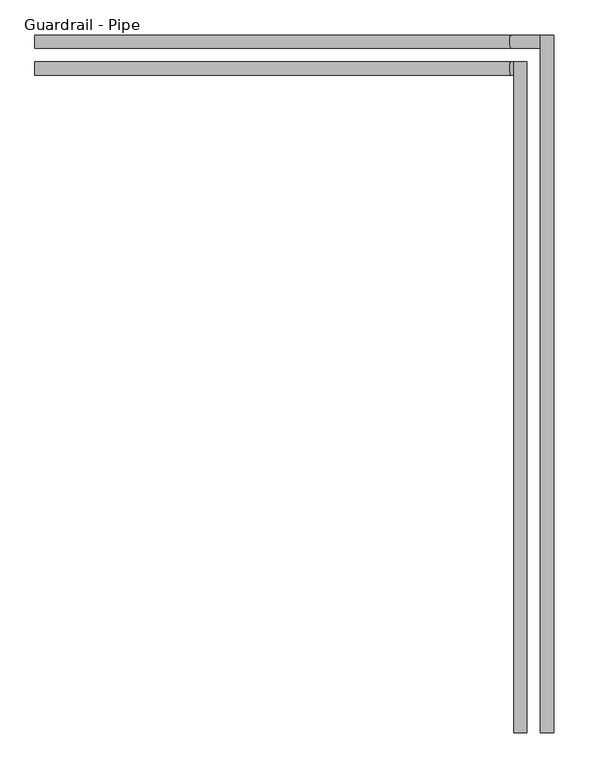
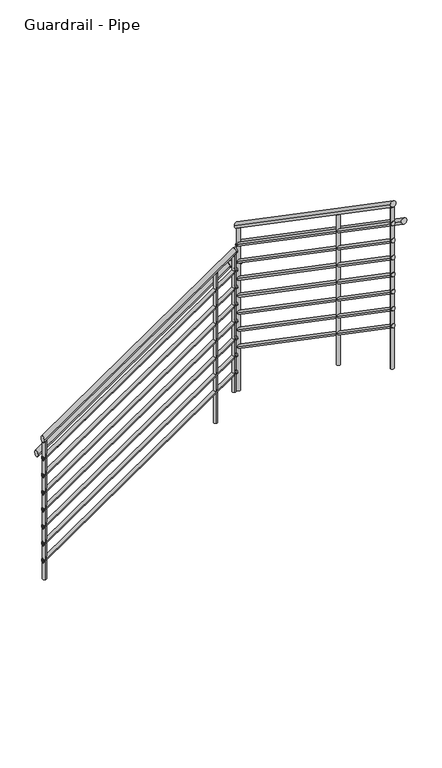
"""IFC4 building model written with IfcOpenShell, lengths in millimetres: railing geometry, Guardrail - Pipe."""

import ifcopenshell
import ifcopenshell.guid

model = None  # the IFC model being written
_history = None  # IfcOwnerHistory: only IFC2X3 demands one
_inside = {}  # id of a spatial element -> (the spatial element, [elements in it])
_under = {}  # id of a project, library or spatial element -> (it, [spatial elements below it])
_declared = {}  # id of a project -> (the project, [libraries it declares])
_typed = {}  # id of a type object -> (the type object, [elements of that type])
_made_of = {}  # id of a material, layer set ... -> (it, [elements and type objects made of it])


def new_model(schema):
    """Start an empty IFC model of exactly this schema.

    Asked for "IFC4X3", IfcOpenShell would pick the latest addendum, in which some entities
    have other attributes; the version numbers below select the first issue.
    IFC2X3 requires an IfcOwnerHistory on every rooted entity: one is made here for all.
    """
    global model, _history
    if schema == "IFC4X3":
        model = ifcopenshell.file(schema_version=(4, 3, 0, 0))
    else:
        model = ifcopenshell.file(schema=schema)
    _inside.clear()
    _under.clear()
    _declared.clear()
    _typed.clear()
    _made_of.clear()
    _history = None
    if model.schema == "IFC2X3":
        org = make("IfcOrganization", Name="unknown")
        user = make(
            "IfcPersonAndOrganization",
            ThePerson=make("IfcPerson", FamilyName="unknown"),
            TheOrganization=org,
        )
        app = make(
            "IfcApplication",
            ApplicationDeveloper=org,
            Version="unknown",
            ApplicationFullName="unknown",
            ApplicationIdentifier="unknown",
        )
        _history = make(
            "IfcOwnerHistory",
            OwningUser=user,
            OwningApplication=app,
            ChangeAction="ADDED",
            CreationDate=0,
        )
    return model


def make(cls, **values):
    """One entity of the class cls with the attributes given. An attribute that is None is left unset."""
    return model.create_entity(
        cls, **{name: value for name, value in values.items() if value is not None}
    )


def rooted(cls, **values):
    """An entity with a GlobalId (a new one), such as an element, a storey or a relation."""
    return make(cls, GlobalId=ifcopenshell.guid.new(), OwnerHistory=_history, **values)


def si_unit(unit_type, name, prefix=None):
    """IfcSIUnit, for example si_unit("LENGTHUNIT", "METRE", prefix="MILLI")."""
    return make("IfcSIUnit", UnitType=unit_type, Prefix=prefix, Name=name)


def assignment(units):
    """IfcUnitAssignment: the units of a project."""
    return None if units is None else make("IfcUnitAssignment", Units=units)


def point(xyz):
    """IfcCartesianPoint."""
    return None if xyz is None else make("IfcCartesianPoint", Coordinates=xyz)


def direction(xyz):
    """IfcDirection."""
    return None if xyz is None else make("IfcDirection", DirectionRatios=xyz)


def frame(location, z_axis=None, x_axis=None):
    """IfcAxis2Placement3D, a coordinate frame: its origin and axes. An axis left out is left unset."""
    return make(
        "IfcAxis2Placement3D",
        Location=point(location),
        Axis=direction(z_axis),
        RefDirection=direction(x_axis),
    )


def origin():
    """The frame at (0, 0, 0) with its axes left unset."""
    return frame((0.0, 0.0, 0.0))


def place(relative_to, where):
    """IfcLocalPlacement: puts the frame where relative to a parent placement (None: the world)."""
    return make(
        "IfcLocalPlacement", PlacementRelTo=relative_to, RelativePlacement=where
    )


def context(
    kind, dimensions, precision=None, world=None, true_north=None, identifier=None
):
    """IfcGeometricRepresentationContext, for example the 3D "Model" context."""
    return make(
        "IfcGeometricRepresentationContext",
        ContextIdentifier=identifier,
        ContextType=kind,
        CoordinateSpaceDimension=dimensions,
        Precision=precision,
        WorldCoordinateSystem=world,
        TrueNorth=true_north,
    )


def project(units=None, contexts=None):
    """IfcProject with its units and contexts."""
    return rooted(
        "IfcProject",
        Name="project",
        RepresentationContexts=contexts,
        UnitsInContext=assignment(units),
    )


def spatial(cls, under=None, at=None, **own):
    """A site, building, storey or space (cls), placed at a placement, below another one or the project."""
    s = rooted(cls, ObjectPlacement=at, **own)
    if under is not None:
        _under.setdefault(under.id(), (under, []))[1].append(s)
    return s


def circle_curve(where, radius):
    """IfcCircle in the frame where."""
    return make("IfcCircle", Position=where, Radius=radius)


def ellipse_curve(where, semi_axis1, semi_axis2):
    """IfcEllipse in the frame where."""
    return make(
        "IfcEllipse", Position=where, SemiAxis1=semi_axis1, SemiAxis2=semi_axis2
    )


def shape(context_of_items, identifier, shape_type, items):
    """IfcShapeRepresentation: the items that make up one representation, for example the "Body"."""
    return make(
        "IfcShapeRepresentation",
        ContextOfItems=context_of_items,
        RepresentationIdentifier=identifier,
        RepresentationType=shape_type,
        Items=items,
    )


def source(mapping_origin, context_of_items, identifier, shape_type, items):
    """IfcRepresentationMap: a shape defined once, which mapped items show again and again."""
    return make(
        "IfcRepresentationMap",
        MappingOrigin=mapping_origin,
        MappedRepresentation=shape(context_of_items, identifier, shape_type, items),
    )


def transform(
    local_origin,
    x_axis=None,
    y_axis=None,
    z_axis=None,
    scale=None,
    scale2=None,
    scale3=None,
    uniform=True,
):
    """IfcCartesianTransformationOperator3D, or its non-uniform kind. x_axis, y_axis, z_axis: its Axis1, 2, 3."""
    if uniform:
        return make(
            "IfcCartesianTransformationOperator3D",
            Axis1=direction(x_axis),
            Axis2=direction(y_axis),
            LocalOrigin=point(local_origin),
            Scale=scale,
            Axis3=direction(z_axis),
        )
    return make(
        "IfcCartesianTransformationOperator3DnonUniform",
        Axis1=direction(x_axis),
        Axis2=direction(y_axis),
        LocalOrigin=point(local_origin),
        Scale=scale,
        Axis3=direction(z_axis),
        Scale2=scale2,
        Scale3=scale3,
    )


def mapped(mapping_source, mapping_target):
    """IfcMappedItem: shows the shape of a source again, moved by a transform."""
    return make(
        "IfcMappedItem", MappingSource=mapping_source, MappingTarget=mapping_target
    )


def made_of(thing, what):
    """Note that an element or type object is made of a material, layer set ...; save() writes the relation."""
    if what is not None:
        _made_of.setdefault(what.id(), (what, []))[1].append(thing)
    return thing


def element(
    cls,
    number,
    at=None,
    inside=None,
    cuts=None,
    type_object=None,
    material=None,
    context=None,
    identifier="Body",
    shape_type=None,
    held_by="IfcProductDefinitionShape",
    body=None,
    shapes=None,
    **own,
):
    """One element of the class cls, such as IfcWall. Its Tag is "e" and its number.

    at: its placement. inside: the storey or other place that contains it. cuts: it is an
    opening in that element (IfcRelVoidsElement). A single representation is given by context,
    identifier, shape_type and body (its items); several are given by shapes. held_by: the class
    of the entity that holds the representations. save() writes the other relations.
    """
    e = rooted(cls, Tag="e%d" % number, ObjectPlacement=at, **own)
    if body is not None:
        shapes = [shape(context, identifier, shape_type, body)]
    if shapes is not None:
        e.Representation = make(held_by, Representations=shapes)
    if inside is not None:
        _inside.setdefault(inside.id(), (inside, []))[1].append(e)
    if cuts is not None:
        rooted(
            "IfcRelVoidsElement", RelatingBuildingElement=cuts, RelatedOpeningElement=e
        )
    if type_object is not None:
        _typed.setdefault(type_object.id(), (type_object, []))[1].append(e)
    return made_of(e, material)


def aggregate(whole, parts):
    """IfcRelAggregates: a whole, such as a stair, and the parts it consists of."""
    return rooted("IfcRelAggregates", RelatingObject=whole, RelatedObjects=parts)


def save(model, path):
    """Write the relations noted so far, then the file.

    IfcRelAggregates (storeys below a building ...), IfcRelContainedInSpatialStructure (elements
    in a storey), IfcRelDefinesByType, IfcRelAssociatesMaterial and IfcRelDeclares: one each for
    every whole, place, type object, material and project.
    """
    for whole, parts in _under.values():
        aggregate(whole, parts)
    for where, things in _inside.values():
        rooted(
            "IfcRelContainedInSpatialStructure",
            RelatedElements=things,
            RelatingStructure=where,
        )
    for kind, things in _typed.values():
        rooted("IfcRelDefinesByType", RelatedObjects=things, RelatingType=kind)
    for what, things in _made_of.values():
        rooted("IfcRelAssociatesMaterial", RelatedObjects=things, RelatingMaterial=what)
    for by, libraries in _declared.values():
        rooted("IfcRelDeclares", RelatingContext=by, RelatedDefinitions=libraries)
    model.write(path)


def plane_surface(at):
    """IfcPlane: the flat surface through the origin of the frame at, square to its z axis."""
    return make("IfcPlane", Position=at)


def cylinder_surface(at, radius):
    """IfcCylindricalSurface: all points at the distance radius from the z axis of the frame at."""
    return make("IfcCylindricalSurface", Position=at, Radius=radius)


def advanced_brep(points, edges, surfaces, faces):
    """IfcAdvancedBrep: a solid bounded by faces that lie on surfaces and meet in shared edges.

    An edge is (start, end): straight between two places in points (the first is 0);
    or (start, end, curve); or (start, end, curve, False) where it runs against its curve.
    A face is (place in surfaces, loops), or (place, loops, False) where it looks against
    its surface's normal. A loop lists edges by number (the first is 1), with a minus sign
    where the edge is run from its end to its start. The first loop is the outer one.
    """
    corners = [point(p) for p in points]
    vertices = [make("IfcVertexPoint", VertexGeometry=c) for c in corners]
    made = []
    for start, end, *more in edges:
        made.append(
            make(
                "IfcEdgeCurve",
                EdgeStart=vertices[start],
                EdgeEnd=vertices[end],
                EdgeGeometry=more[0] if more else make("IfcPolyline", Points=[corners[start], corners[end]]),
                SameSense=more[1] if len(more) > 1 else True,
            )
        )
    hull = []
    for where, loops, *sense in faces:
        bounds = []
        for j, loop in enumerate(loops):
            ring = [make("IfcOrientedEdge", EdgeElement=made[abs(k) - 1], Orientation=k > 0) for k in loop]
            bounds.append(
                make(
                    "IfcFaceOuterBound" if j == 0 else "IfcFaceBound",
                    Bound=make("IfcEdgeLoop", EdgeList=ring),
                    Orientation=True,
                )
            )
        hull.append(make("IfcAdvancedFace", Bounds=bounds, FaceSurface=surfaces[where], SameSense=sense[0] if sense else True))
    return make("IfcAdvancedBrep", Outer=make("IfcClosedShell", CfsFaces=hull))


def guardrail_pipe_6bcb283f(model_context):
    return source(origin(), model_context, "Body", "AdvancedBrep", [
        advanced_brep(
        [(1316.6034014, 3556.2558469, -1220.6070396), (1316.6034014, 3518.1558469, -1220.6070396), (2672.522482, 3556.2558469, -287.9642857), (2672.522482, 3518.1558469, -287.9642857), (2679.3034014, 3556.2558469, -287.9642857), (2679.3034014, 3518.1558469, -287.9642857)],
        [
            (0, 1, ellipse_curve(frame((1316.6034014, 3537.2058469, -1220.6070396), z_axis=(-1.0, 0.0, 0.0), x_axis=(0.0, 0.0, -1.0)), 23.1213253, 19.05)),
            (1, 0, ellipse_curve(frame((1316.6034014, 3537.2058469, -1220.6070396), z_axis=(-1.0, 0.0, 0.0), x_axis=(0.0, 0.0, -1.0)), 23.1213253, 19.05)),
            (0, 2),
            (2, 3, ellipse_curve(frame((2672.522482, 3537.2058469, -287.9642857), z_axis=(-0.9549645825680195, 0.0, -0.2967198106643507), x_axis=(0.29671981066435027, 0.0, -0.9549645825680195)), 19.9483838, 19.05)),
            (3, 1),
            (3, 2, ellipse_curve(frame((2672.522482, 3537.2058469, -287.9642857), z_axis=(-0.9549645825680195, 0.0, -0.2967198106643507), x_axis=(0.29671981066435027, 0.0, -0.9549645825680195)), 19.9483838, 19.05)),
            (4, 5, circle_curve(frame((2679.3034014, 3537.2058469, -287.9642857), z_axis=(1.0, 0.0, 0.0), x_axis=(0.0, -1.0, 0.0)), 19.05)),
            (5, 4, circle_curve(frame((2679.3034014, 3537.2058469, -287.9642857), z_axis=(1.0, 0.0, 0.0), x_axis=(0.0, -1.0, 0.0)), 19.05)),
            (2, 4),
            (5, 3),
        ],
        [
            plane_surface(frame((1316.6034014, 3537.2058469, -1197.4857143), z_axis=(-1.0, 0.0, 0.0), x_axis=(0.0, 1.0, 0.0))),
            cylinder_surface(frame((1327.3992996, 3537.2058469, -1213.1812895), z_axis=(-0.8239147079186238, 0.0, -0.566713820261487), x_axis=(0.0, -1.0, 0.0)), 19.05),
            plane_surface(frame((2679.3034014, 3537.2058469, -268.9142857), z_axis=(1.0, 0.0, 0.0), x_axis=(0.0, 1.0, 0.0))),
            cylinder_surface(frame((2666.6034014, 3537.2058469, -287.9642857), z_axis=(-1.0, 0.0, 0.0), x_axis=(0.0, -1.0, 0.0)), 19.05),
        ],
        [
            (0, [[1, 2]]),
            (1, [[-1, 3, 4, 5]]),
            (1, [[-2, -5, 6, -3]]),
            (2, [[7, 8]]),
            (3, [[-4, 9, -8, 10]]),
            (3, [[-6, -10, -7, -9]]),
        ],
    ),
        advanced_brep(
        [(2717.4034014, 3556.2558469, -119.4244999), (2679.3034014, 3556.2558469, -119.4244999), (2717.4034014, 1647.2058469, 1193.6786747), (2679.3034014, 1647.2058469, 1193.6786747)],
        [
            (0, 1, ellipse_curve(frame((2698.3534014, 3556.2558469, -119.4244999), z_axis=(0.0, 1.0, 0.0), x_axis=(0.0, 0.0, -1.0)), 23.1213253, 19.05)),
            (1, 0, ellipse_curve(frame((2698.3534014, 3556.2558469, -119.4244999), z_axis=(0.0, 1.0, 0.0), x_axis=(0.0, 0.0, -1.0)), 23.1213253, 19.05)),
            (2, 3, ellipse_curve(frame((2698.3534014, 1647.2058469, 1193.6786747), z_axis=(0.0, -1.0, 0.0), x_axis=(0.0, 0.0, -1.0)), 23.1213253, 19.05)),
            (3, 2, ellipse_curve(frame((2698.3534014, 1647.2058469, 1193.6786747), z_axis=(0.0, -1.0, 0.0), x_axis=(0.0, 0.0, -1.0)), 23.1213253, 19.05)),
            (0, 2),
            (3, 1),
        ],
        [
            plane_surface(frame((2698.3534014, 3556.2558469, -96.3031746), z_axis=(0.0, 1.0, 0.0), x_axis=(0.0, 0.0, -1.0))),
            plane_surface(frame((2698.3534014, 1647.2058469, 1216.8), z_axis=(0.0, -1.0, 0.0), x_axis=(0.0, 0.0, -1.0))),
            cylinder_surface(frame((2698.3534014, 3545.4599486, -111.9987498), z_axis=(0.0, 0.8239147079186236, -0.5667138202614872), x_axis=(-1.0, 0.0, 0.0)), 19.05),
        ],
        [
            (0, [[1, 2]]),
            (1, [[3, 4]]),
            (2, [[-1, 5, -4, 6]]),
            (2, [[-2, -6, -3, -5]]),
        ],
    ),
        advanced_brep(
        [(1316.6034014, 3549.9058469, -1365.2999312), (1316.6034014, 3524.5058469, -1365.2999312), (2670.5494551, 3549.9058469, -434.0142857), (2670.5494551, 3524.5058469, -434.0142857), (2685.6534014, 3549.9058469, -434.0142857), (2685.6534014, 3524.5058469, -434.0142857)],
        [
            (0, 1, ellipse_curve(frame((1316.6034014, 3537.2058469, -1365.2999312), z_axis=(-1.0, 0.0, 0.0), x_axis=(0.0, 0.0, -1.0)), 15.4142169, 12.7)),
            (1, 0, ellipse_curve(frame((1316.6034014, 3537.2058469, -1365.2999312), z_axis=(-1.0, 0.0, 0.0), x_axis=(0.0, 0.0, -1.0)), 15.4142169, 12.7)),
            (0, 2),
            (2, 3, ellipse_curve(frame((2670.5494551, 3537.2058469, -434.0142857), z_axis=(-0.9549645825680195, 0.0, -0.2967198106643507), x_axis=(0.29671981066435027, 0.0, -0.9549645825680195)), 13.2989225, 12.7)),
            (3, 1),
            (3, 2, ellipse_curve(frame((2670.5494551, 3537.2058469, -434.0142857), z_axis=(-0.9549645825680195, 0.0, -0.2967198106643507), x_axis=(0.29671981066435027, 0.0, -0.9549645825680195)), 13.2989225, 12.7)),
            (4, 5, circle_curve(frame((2685.6534014, 3537.2058469, -434.0142857), z_axis=(1.0, 0.0, 0.0), x_axis=(0.0, -1.0, 0.0)), 12.7)),
            (5, 4, circle_curve(frame((2685.6534014, 3537.2058469, -434.0142857), z_axis=(1.0, 0.0, 0.0), x_axis=(0.0, -1.0, 0.0)), 12.7)),
            (2, 4),
            (5, 3),
        ],
        [
            plane_surface(frame((1316.6034014, 3537.2058469, -1349.8857143), z_axis=(-1.0, 0.0, 0.0), x_axis=(0.0, 1.0, 0.0))),
            cylinder_surface(frame((1323.8006669, 3537.2058469, -1360.3494311), z_axis=(-0.8239147079186238, 0.0, -0.566713820261487), x_axis=(0.0, -1.0, 0.0)), 12.7),
            plane_surface(frame((2685.6534014, 3537.2058469, -421.3142857), z_axis=(1.0, 0.0, 0.0), x_axis=(0.0, 1.0, 0.0))),
            cylinder_surface(frame((2666.6034014, 3537.2058469, -434.0142857), z_axis=(-1.0, 0.0, 0.0), x_axis=(0.0, -1.0, 0.0)), 12.7),
        ],
        [
            (0, [[1, 2]]),
            (1, [[-1, 3, 4, 5]]),
            (1, [[-2, -5, 6, -3]]),
            (2, [[7, 8]]),
            (3, [[-4, 9, -8, 10]]),
            (3, [[-6, -10, -7, -9]]),
        ],
    ),
        advanced_brep(
        [(2711.0534014, 3549.9058469, -259.7496666), (2685.6534014, 3549.9058469, -259.7496666), (2711.0534014, 1647.2058469, 1048.9857831), (2685.6534014, 1647.2058469, 1048.9857831)],
        [
            (0, 1, ellipse_curve(frame((2698.3534014, 3549.9058469, -259.7496666), z_axis=(0.0, 1.0, 0.0), x_axis=(0.0, 0.0, -1.0)), 15.4142169, 12.7)),
            (1, 0, ellipse_curve(frame((2698.3534014, 3549.9058469, -259.7496666), z_axis=(0.0, 1.0, 0.0), x_axis=(0.0, 0.0, -1.0)), 15.4142169, 12.7)),
            (2, 3, ellipse_curve(frame((2698.3534014, 1647.2058469, 1048.9857831), z_axis=(0.0, -1.0, 0.0), x_axis=(0.0, 0.0, -1.0)), 15.4142169, 12.7)),
            (3, 2, ellipse_curve(frame((2698.3534014, 1647.2058469, 1048.9857831), z_axis=(0.0, -1.0, 0.0), x_axis=(0.0, 0.0, -1.0)), 15.4142169, 12.7)),
            (0, 2),
            (3, 1),
        ],
        [
            plane_surface(frame((2698.3534014, 3549.9058469, -244.3354497), z_axis=(0.0, 1.0, 0.0), x_axis=(0.0, 0.0, -1.0))),
            plane_surface(frame((2698.3534014, 1647.2058469, 1064.4), z_axis=(0.0, -1.0, 0.0), x_axis=(0.0, 0.0, -1.0))),
            cylinder_surface(frame((2698.3534014, 3542.7085814, -254.7991665), z_axis=(0.0, 0.8239147079186236, -0.5667138202614872), x_axis=(-1.0, 0.0, 0.0)), 12.7),
        ],
        [
            (0, [[1, 2]]),
            (1, [[3, 4]]),
            (2, [[-1, 5, -4, 6]]),
            (2, [[-2, -6, -3, -5]]),
        ],
    ),
        advanced_brep(
        [(1316.6034014, 3632.4558469, -1373.0070396), (1316.6034014, 3594.3558469, -1373.0070396), (2672.522482, 3632.4558469, -440.3642857), (2672.522482, 3594.3558469, -440.3642857), (2755.5034014, 3632.4558469, -440.3642857), (2755.5034014, 3594.3558469, -440.3642857)],
        [
            (0, 1, ellipse_curve(frame((1316.6034014, 3613.4058469, -1373.0070396), z_axis=(-1.0, 0.0, 0.0), x_axis=(0.0, 0.0, -1.0)), 23.1213253, 19.05)),
            (1, 0, ellipse_curve(frame((1316.6034014, 3613.4058469, -1373.0070396), z_axis=(-1.0, 0.0, 0.0), x_axis=(0.0, 0.0, -1.0)), 23.1213253, 19.05)),
            (0, 2),
            (2, 3, ellipse_curve(frame((2672.522482, 3613.4058469, -440.3642857), z_axis=(-0.9549645825680195, 0.0, -0.2967198106643507), x_axis=(0.29671981066435027, 0.0, -0.9549645825680195)), 19.9483838, 19.05)),
            (3, 1),
            (3, 2, ellipse_curve(frame((2672.522482, 3613.4058469, -440.3642857), z_axis=(-0.9549645825680195, 0.0, -0.2967198106643507), x_axis=(0.29671981066435027, 0.0, -0.9549645825680195)), 19.9483838, 19.05)),
            (4, 5, circle_curve(frame((2755.5034014, 3613.4058469, -440.3642857), z_axis=(1.0, 0.0, 0.0), x_axis=(0.0, -1.0, 0.0)), 19.05)),
            (5, 4, circle_curve(frame((2755.5034014, 3613.4058469, -440.3642857), z_axis=(1.0, 0.0, 0.0), x_axis=(0.0, -1.0, 0.0)), 19.05)),
            (2, 4),
            (5, 3),
        ],
        [
            plane_surface(frame((1316.6034014, 3613.4058469, -1349.8857143), z_axis=(-1.0, 0.0, 0.0), x_axis=(0.0, 1.0, 0.0))),
            cylinder_surface(frame((1327.3992996, 3613.4058469, -1365.5812895), z_axis=(-0.8239147079186238, 0.0, -0.566713820261487), x_axis=(0.0, -1.0, 0.0)), 19.05),
            plane_surface(frame((2755.5034014, 3613.4058469, -421.3142857), z_axis=(1.0, 0.0, 0.0), x_axis=(0.0, 1.0, 0.0))),
            cylinder_surface(frame((2666.6034014, 3613.4058469, -440.3642857), z_axis=(-1.0, 0.0, 0.0), x_axis=(0.0, -1.0, 0.0)), 19.05),
        ],
        [
            (0, [[1, 2]]),
            (1, [[-1, 3, 4, 5]]),
            (1, [[-2, -5, 6, -3]]),
            (2, [[7, 8]]),
            (3, [[-4, 9, -8, 10]]),
            (3, [[-6, -10, -7, -9]]),
        ],
    ),
        advanced_brep(
        [(2793.6034014, 3632.4558469, -324.2371983), (2755.5034014, 3632.4558469, -324.2371983), (2793.6034014, 1647.2058469, 1041.2786747), (2755.5034014, 1647.2058469, 1041.2786747)],
        [
            (0, 1, ellipse_curve(frame((2774.5534014, 3632.4558469, -324.2371983), z_axis=(0.0, 1.0, 0.0), x_axis=(0.0, 0.0, -1.0)), 23.1213253, 19.05)),
            (1, 0, ellipse_curve(frame((2774.5534014, 3632.4558469, -324.2371983), z_axis=(0.0, 1.0, 0.0), x_axis=(0.0, 0.0, -1.0)), 23.1213253, 19.05)),
            (2, 3, ellipse_curve(frame((2774.5534014, 1647.2058469, 1041.2786747), z_axis=(0.0, -1.0, 0.0), x_axis=(0.0, 0.0, -1.0)), 23.1213253, 19.05)),
            (3, 2, ellipse_curve(frame((2774.5534014, 1647.2058469, 1041.2786747), z_axis=(0.0, -1.0, 0.0), x_axis=(0.0, 0.0, -1.0)), 23.1213253, 19.05)),
            (0, 2),
            (3, 1),
        ],
        [
            plane_surface(frame((2774.5534014, 3632.4558469, -301.115873), z_axis=(0.0, 1.0, 0.0), x_axis=(0.0, 0.0, -1.0))),
            plane_surface(frame((2774.5534014, 1647.2058469, 1064.4), z_axis=(0.0, -1.0, 0.0), x_axis=(0.0, 0.0, -1.0))),
            cylinder_surface(frame((2774.5534014, 3621.6599486, -316.8114482), z_axis=(0.0, 0.8239147079186235, -0.5667138202614872), x_axis=(-1.0, 0.0, 0.0)), 19.05),
        ],
        [
            (0, [[1, 2]]),
            (1, [[3, 4]]),
            (2, [[-1, 5, -4, 6]]),
            (2, [[-2, -6, -3, -5]]),
        ],
    ),
        advanced_brep(
        [(1316.6034014, 3549.9058469, -1492.2999312), (1316.6034014, 3524.5058469, -1492.2999312), (2670.5494551, 3549.9058469, -561.0142857), (2670.5494551, 3524.5058469, -561.0142857), (2685.6534014, 3549.9058469, -561.0142857), (2685.6534014, 3524.5058469, -561.0142857)],
        [
            (0, 1, ellipse_curve(frame((1316.6034014, 3537.2058469, -1492.2999312), z_axis=(-1.0, 0.0, 0.0), x_axis=(0.0, 0.0, -1.0)), 15.4142169, 12.7)),
            (1, 0, ellipse_curve(frame((1316.6034014, 3537.2058469, -1492.2999312), z_axis=(-1.0, 0.0, 0.0), x_axis=(0.0, 0.0, -1.0)), 15.4142169, 12.7)),
            (0, 2),
            (2, 3, ellipse_curve(frame((2670.5494551, 3537.2058469, -561.0142857), z_axis=(-0.9549645825680195, 0.0, -0.2967198106643507), x_axis=(0.29671981066435027, 0.0, -0.9549645825680195)), 13.2989225, 12.7)),
            (3, 1),
            (3, 2, ellipse_curve(frame((2670.5494551, 3537.2058469, -561.0142857), z_axis=(-0.9549645825680195, 0.0, -0.2967198106643507), x_axis=(0.29671981066435027, 0.0, -0.9549645825680195)), 13.2989225, 12.7)),
            (4, 5, circle_curve(frame((2685.6534014, 3537.2058469, -561.0142857), z_axis=(1.0, 0.0, 0.0), x_axis=(0.0, -1.0, 0.0)), 12.7)),
            (5, 4, circle_curve(frame((2685.6534014, 3537.2058469, -561.0142857), z_axis=(1.0, 0.0, 0.0), x_axis=(0.0, -1.0, 0.0)), 12.7)),
            (2, 4),
            (5, 3),
        ],
        [
            plane_surface(frame((1316.6034014, 3537.2058469, -1476.8857143), z_axis=(-1.0, 0.0, 0.0), x_axis=(0.0, 1.0, 0.0))),
            cylinder_surface(frame((1323.8006669, 3537.2058469, -1487.3494311), z_axis=(-0.8239147079186238, 0.0, -0.566713820261487), x_axis=(0.0, -1.0, 0.0)), 12.7),
            plane_surface(frame((2685.6534014, 3537.2058469, -548.3142857), z_axis=(1.0, 0.0, 0.0), x_axis=(0.0, 1.0, 0.0))),
            cylinder_surface(frame((2666.6034014, 3537.2058469, -561.0142857), z_axis=(-1.0, 0.0, 0.0), x_axis=(0.0, -1.0, 0.0)), 12.7),
        ],
        [
            (0, [[1, 2]]),
            (1, [[-1, 3, 4, 5]]),
            (1, [[-2, -5, 6, -3]]),
            (2, [[7, 8]]),
            (3, [[-4, 9, -8, 10]]),
            (3, [[-6, -10, -7, -9]]),
        ],
    ),
        advanced_brep(
        [(2711.0534014, 3549.9058469, -386.7496666), (2685.6534014, 3549.9058469, -386.7496666), (2711.0534014, 1647.2058469, 921.9857831), (2685.6534014, 1647.2058469, 921.9857831)],
        [
            (0, 1, ellipse_curve(frame((2698.3534014, 3549.9058469, -386.7496666), z_axis=(0.0, 1.0, 0.0), x_axis=(0.0, 0.0, -1.0)), 15.4142169, 12.7)),
            (1, 0, ellipse_curve(frame((2698.3534014, 3549.9058469, -386.7496666), z_axis=(0.0, 1.0, 0.0), x_axis=(0.0, 0.0, -1.0)), 15.4142169, 12.7)),
            (2, 3, ellipse_curve(frame((2698.3534014, 1647.2058469, 921.9857831), z_axis=(0.0, -1.0, 0.0), x_axis=(0.0, 0.0, -1.0)), 15.4142169, 12.7)),
            (3, 2, ellipse_curve(frame((2698.3534014, 1647.2058469, 921.9857831), z_axis=(0.0, -1.0, 0.0), x_axis=(0.0, 0.0, -1.0)), 15.4142169, 12.7)),
            (0, 2),
            (3, 1),
        ],
        [
            plane_surface(frame((2698.3534014, 3549.9058469, -371.3354497), z_axis=(0.0, 1.0, 0.0), x_axis=(0.0, 0.0, -1.0))),
            plane_surface(frame((2698.3534014, 1647.2058469, 937.4), z_axis=(0.0, -1.0, 0.0), x_axis=(0.0, 0.0, -1.0))),
            cylinder_surface(frame((2698.3534014, 3542.7085814, -381.7991665), z_axis=(0.0, 0.8239147079186236, -0.5667138202614872), x_axis=(-1.0, 0.0, 0.0)), 12.7),
        ],
        [
            (0, [[1, 2]]),
            (1, [[3, 4]]),
            (2, [[-1, 5, -4, 6]]),
            (2, [[-2, -6, -3, -5]]),
        ],
    ),
        advanced_brep(
        [(1316.6034014, 3549.9058469, -1619.2999312), (1316.6034014, 3524.5058469, -1619.2999312), (2670.5494551, 3549.9058469, -688.0142857), (2670.5494551, 3524.5058469, -688.0142857), (2685.6534014, 3549.9058469, -688.0142857), (2685.6534014, 3524.5058469, -688.0142857)],
        [
            (0, 1, ellipse_curve(frame((1316.6034014, 3537.2058469, -1619.2999312), z_axis=(-1.0, 0.0, 0.0), x_axis=(0.0, 0.0, -1.0)), 15.4142169, 12.7)),
            (1, 0, ellipse_curve(frame((1316.6034014, 3537.2058469, -1619.2999312), z_axis=(-1.0, 0.0, 0.0), x_axis=(0.0, 0.0, -1.0)), 15.4142169, 12.7)),
            (0, 2),
            (2, 3, ellipse_curve(frame((2670.5494551, 3537.2058469, -688.0142857), z_axis=(-0.9549645825680195, 0.0, -0.29671981066435077), x_axis=(0.29671981066435027, 0.0, -0.9549645825680197)), 13.2989225, 12.7)),
            (3, 1),
            (3, 2, ellipse_curve(frame((2670.5494551, 3537.2058469, -688.0142857), z_axis=(-0.9549645825680195, 0.0, -0.29671981066435077), x_axis=(0.29671981066435027, 0.0, -0.9549645825680197)), 13.2989225, 12.7)),
            (4, 5, circle_curve(frame((2685.6534014, 3537.2058469, -688.0142857), z_axis=(1.0, 0.0, 0.0), x_axis=(0.0, -1.0, 0.0)), 12.7)),
            (5, 4, circle_curve(frame((2685.6534014, 3537.2058469, -688.0142857), z_axis=(1.0, 0.0, 0.0), x_axis=(0.0, -1.0, 0.0)), 12.7)),
            (2, 4),
            (5, 3),
        ],
        [
            plane_surface(frame((1316.6034014, 3537.2058469, -1603.8857143), z_axis=(-1.0, 0.0, 0.0), x_axis=(0.0, 1.0, 0.0))),
            cylinder_surface(frame((1323.8006669, 3537.2058469, -1614.3494311), z_axis=(-0.8239147079186238, 0.0, -0.5667138202614871), x_axis=(0.0, -1.0, 0.0)), 12.7),
            plane_surface(frame((2685.6534014, 3537.2058469, -675.3142857), z_axis=(1.0, 0.0, 0.0), x_axis=(0.0, 1.0, 0.0))),
            cylinder_surface(frame((2666.6034014, 3537.2058469, -688.0142857), z_axis=(-1.0, 0.0, 0.0), x_axis=(0.0, -1.0, 0.0)), 12.7),
        ],
        [
            (0, [[1, 2]]),
            (1, [[-1, 3, 4, 5]]),
            (1, [[-2, -5, 6, -3]]),
            (2, [[7, 8]]),
            (3, [[-4, 9, -8, 10]]),
            (3, [[-6, -10, -7, -9]]),
        ],
    ),
        advanced_brep(
        [(2711.0534014, 3549.9058469, -513.7496666), (2685.6534014, 3549.9058469, -513.7496666), (2711.0534014, 1647.2058469, 794.9857831), (2685.6534014, 1647.2058469, 794.9857831)],
        [
            (0, 1, ellipse_curve(frame((2698.3534014, 3549.9058469, -513.7496666), z_axis=(0.0, 1.0, 0.0), x_axis=(0.0, 0.0, -1.0)), 15.4142169, 12.7)),
            (1, 0, ellipse_curve(frame((2698.3534014, 3549.9058469, -513.7496666), z_axis=(0.0, 1.0, 0.0), x_axis=(0.0, 0.0, -1.0)), 15.4142169, 12.7)),
            (2, 3, ellipse_curve(frame((2698.3534014, 1647.2058469, 794.9857831), z_axis=(0.0, -1.0, 0.0), x_axis=(0.0, 0.0, -1.0)), 15.4142169, 12.7)),
            (3, 2, ellipse_curve(frame((2698.3534014, 1647.2058469, 794.9857831), z_axis=(0.0, -1.0, 0.0), x_axis=(0.0, 0.0, -1.0)), 15.4142169, 12.7)),
            (0, 2),
            (3, 1),
        ],
        [
            plane_surface(frame((2698.3534014, 3549.9058469, -498.3354497), z_axis=(0.0, 1.0, 0.0), x_axis=(0.0, 0.0, -1.0))),
            plane_surface(frame((2698.3534014, 1647.2058469, 810.4), z_axis=(0.0, -1.0, 0.0), x_axis=(0.0, 0.0, -1.0))),
            cylinder_surface(frame((2698.3534014, 3542.7085814, -508.7991665), z_axis=(0.0, 0.8239147079186236, -0.5667138202614872), x_axis=(-1.0, 0.0, 0.0)), 12.7),
        ],
        [
            (0, [[1, 2]]),
            (1, [[3, 4]]),
            (2, [[-1, 5, -4, 6]]),
            (2, [[-2, -6, -3, -5]]),
        ],
    ),
        advanced_brep(
        [(1316.6034014, 3549.9058469, -1746.2999312), (1316.6034014, 3524.5058469, -1746.2999312), (2670.5494551, 3549.9058469, -815.0142857), (2670.5494551, 3524.5058469, -815.0142857), (2685.6534014, 3549.9058469, -815.0142857), (2685.6534014, 3524.5058469, -815.0142857)],
        [
            (0, 1, ellipse_curve(frame((1316.6034014, 3537.2058469, -1746.2999312), z_axis=(-1.0, 0.0, 0.0), x_axis=(0.0, 0.0, -1.0)), 15.4142169, 12.7)),
            (1, 0, ellipse_curve(frame((1316.6034014, 3537.2058469, -1746.2999312), z_axis=(-1.0, 0.0, 0.0), x_axis=(0.0, 0.0, -1.0)), 15.4142169, 12.7)),
            (0, 2),
            (2, 3, ellipse_curve(frame((2670.5494551, 3537.2058469, -815.0142857), z_axis=(-0.9549645825680195, 0.0, -0.2967198106643507), x_axis=(0.29671981066435027, 0.0, -0.9549645825680195)), 13.2989225, 12.7)),
            (3, 1),
            (3, 2, ellipse_curve(frame((2670.5494551, 3537.2058469, -815.0142857), z_axis=(-0.9549645825680195, 0.0, -0.2967198106643507), x_axis=(0.29671981066435027, 0.0, -0.9549645825680195)), 13.2989225, 12.7)),
            (4, 5, circle_curve(frame((2685.6534014, 3537.2058469, -815.0142857), z_axis=(1.0, 0.0, 0.0), x_axis=(0.0, -1.0, 0.0)), 12.7)),
            (5, 4, circle_curve(frame((2685.6534014, 3537.2058469, -815.0142857), z_axis=(1.0, 0.0, 0.0), x_axis=(0.0, -1.0, 0.0)), 12.7)),
            (2, 4),
            (5, 3),
        ],
        [
            plane_surface(frame((1316.6034014, 3537.2058469, -1730.8857143), z_axis=(-1.0, 0.0, 0.0), x_axis=(0.0, 1.0, 0.0))),
            cylinder_surface(frame((1323.8006669, 3537.2058469, -1741.3494311), z_axis=(-0.8239147079186238, 0.0, -0.566713820261487), x_axis=(0.0, -1.0, 0.0)), 12.7),
            plane_surface(frame((2685.6534014, 3537.2058469, -802.3142857), z_axis=(1.0, 0.0, 0.0), x_axis=(0.0, 1.0, 0.0))),
            cylinder_surface(frame((2666.6034014, 3537.2058469, -815.0142857), z_axis=(-1.0, 0.0, 0.0), x_axis=(0.0, -1.0, 0.0)), 12.7),
        ],
        [
            (0, [[1, 2]]),
            (1, [[-1, 3, 4, 5]]),
            (1, [[-2, -5, 6, -3]]),
            (2, [[7, 8]]),
            (3, [[-4, 9, -8, 10]]),
            (3, [[-6, -10, -7, -9]]),
        ],
    ),
        advanced_brep(
        [(2711.0534014, 3549.9058469, -640.7496666), (2685.6534014, 3549.9058469, -640.7496666), (2711.0534014, 1647.2058469, 667.9857831), (2685.6534014, 1647.2058469, 667.9857831)],
        [
            (0, 1, ellipse_curve(frame((2698.3534014, 3549.9058469, -640.7496666), z_axis=(0.0, 1.0, 0.0), x_axis=(0.0, 0.0, -1.0)), 15.4142169, 12.7)),
            (1, 0, ellipse_curve(frame((2698.3534014, 3549.9058469, -640.7496666), z_axis=(0.0, 1.0, 0.0), x_axis=(0.0, 0.0, -1.0)), 15.4142169, 12.7)),
            (2, 3, ellipse_curve(frame((2698.3534014, 1647.2058469, 667.9857831), z_axis=(0.0, -1.0, 0.0), x_axis=(0.0, 0.0, -1.0)), 15.4142169, 12.7)),
            (3, 2, ellipse_curve(frame((2698.3534014, 1647.2058469, 667.9857831), z_axis=(0.0, -1.0, 0.0), x_axis=(0.0, 0.0, -1.0)), 15.4142169, 12.7)),
            (0, 2),
            (3, 1),
        ],
        [
            plane_surface(frame((2698.3534014, 3549.9058469, -625.3354497), z_axis=(0.0, 1.0, 0.0), x_axis=(0.0, 0.0, -1.0))),
            plane_surface(frame((2698.3534014, 1647.2058469, 683.4), z_axis=(0.0, -1.0, 0.0), x_axis=(0.0, 0.0, -1.0))),
            cylinder_surface(frame((2698.3534014, 3542.7085814, -635.7991665), z_axis=(0.0, 0.8239147079186236, -0.5667138202614872), x_axis=(-1.0, 0.0, 0.0)), 12.7),
        ],
        [
            (0, [[1, 2]]),
            (1, [[3, 4]]),
            (2, [[-1, 5, -4, 6]]),
            (2, [[-2, -6, -3, -5]]),
        ],
    ),
        advanced_brep(
        [(1316.6034014, 3549.9058469, -1873.2999312), (1316.6034014, 3524.5058469, -1873.2999312), (2670.5494551, 3549.9058469, -942.0142857), (2670.5494551, 3524.5058469, -942.0142857), (2685.6534014, 3549.9058469, -942.0142857), (2685.6534014, 3524.5058469, -942.0142857)],
        [
            (0, 1, ellipse_curve(frame((1316.6034014, 3537.2058469, -1873.2999312), z_axis=(-1.0, 0.0, 0.0), x_axis=(0.0, 0.0, -1.0)), 15.4142169, 12.7)),
            (1, 0, ellipse_curve(frame((1316.6034014, 3537.2058469, -1873.2999312), z_axis=(-1.0, 0.0, 0.0), x_axis=(0.0, 0.0, -1.0)), 15.4142169, 12.7)),
            (0, 2),
            (2, 3, ellipse_curve(frame((2670.5494551, 3537.2058469, -942.0142857), z_axis=(-0.9549645825680195, 0.0, -0.2967198106643507), x_axis=(0.29671981066435027, 0.0, -0.9549645825680195)), 13.2989225, 12.7)),
            (3, 1),
            (3, 2, ellipse_curve(frame((2670.5494551, 3537.2058469, -942.0142857), z_axis=(-0.9549645825680195, 0.0, -0.2967198106643507), x_axis=(0.29671981066435027, 0.0, -0.9549645825680195)), 13.2989225, 12.7)),
            (4, 5, circle_curve(frame((2685.6534014, 3537.2058469, -942.0142857), z_axis=(1.0, 0.0, 0.0), x_axis=(0.0, -1.0, 0.0)), 12.7)),
            (5, 4, circle_curve(frame((2685.6534014, 3537.2058469, -942.0142857), z_axis=(1.0, 0.0, 0.0), x_axis=(0.0, -1.0, 0.0)), 12.7)),
            (2, 4),
            (5, 3),
        ],
        [
            plane_surface(frame((1316.6034014, 3537.2058469, -1857.8857143), z_axis=(-1.0, 0.0, 0.0), x_axis=(0.0, 1.0, 0.0))),
            cylinder_surface(frame((1323.8006669, 3537.2058469, -1868.3494311), z_axis=(-0.8239147079186238, 0.0, -0.566713820261487), x_axis=(0.0, -1.0, 0.0)), 12.7),
            plane_surface(frame((2685.6534014, 3537.2058469, -929.3142857), z_axis=(1.0, 0.0, 0.0), x_axis=(0.0, 1.0, 0.0))),
            cylinder_surface(frame((2666.6034014, 3537.2058469, -942.0142857), z_axis=(-1.0, 0.0, 0.0), x_axis=(0.0, -1.0, 0.0)), 12.7),
        ],
        [
            (0, [[1, 2]]),
            (1, [[-1, 3, 4, 5]]),
            (1, [[-2, -5, 6, -3]]),
            (2, [[7, 8]]),
            (3, [[-4, 9, -8, 10]]),
            (3, [[-6, -10, -7, -9]]),
        ],
    ),
        advanced_brep(
        [(2711.0534014, 3549.9058469, -767.7496666), (2685.6534014, 3549.9058469, -767.7496666), (2711.0534014, 1647.2058469, 540.9857831), (2685.6534014, 1647.2058469, 540.9857831)],
        [
            (0, 1, ellipse_curve(frame((2698.3534014, 3549.9058469, -767.7496666), z_axis=(0.0, 1.0, 0.0), x_axis=(0.0, 0.0, -1.0)), 15.4142169, 12.7)),
            (1, 0, ellipse_curve(frame((2698.3534014, 3549.9058469, -767.7496666), z_axis=(0.0, 1.0, 0.0), x_axis=(0.0, 0.0, -1.0)), 15.4142169, 12.7)),
            (2, 3, ellipse_curve(frame((2698.3534014, 1647.2058469, 540.9857831), z_axis=(0.0, -1.0, 0.0), x_axis=(0.0, 0.0, -1.0)), 15.4142169, 12.7)),
            (3, 2, ellipse_curve(frame((2698.3534014, 1647.2058469, 540.9857831), z_axis=(0.0, -1.0, 0.0), x_axis=(0.0, 0.0, -1.0)), 15.4142169, 12.7)),
            (0, 2),
            (3, 1),
        ],
        [
            plane_surface(frame((2698.3534014, 3549.9058469, -752.3354497), z_axis=(0.0, 1.0, 0.0), x_axis=(0.0, 0.0, -1.0))),
            plane_surface(frame((2698.3534014, 1647.2058469, 556.4), z_axis=(0.0, -1.0, 0.0), x_axis=(0.0, 0.0, -1.0))),
            cylinder_surface(frame((2698.3534014, 3542.7085814, -762.7991665), z_axis=(0.0, 0.8239147079186236, -0.5667138202614872), x_axis=(-1.0, 0.0, 0.0)), 12.7),
        ],
        [
            (0, [[1, 2]]),
            (1, [[3, 4]]),
            (2, [[-1, 5, -4, 6]]),
            (2, [[-2, -6, -3, -5]]),
        ],
    ),
        advanced_brep(
        [(1316.6034014, 3549.9058469, -2000.2999312), (1316.6034014, 3524.5058469, -2000.2999312), (2670.5494551, 3549.9058469, -1069.0142857), (2670.5494551, 3524.5058469, -1069.0142857), (2685.6534014, 3549.9058469, -1069.0142857), (2685.6534014, 3524.5058469, -1069.0142857)],
        [
            (0, 1, ellipse_curve(frame((1316.6034014, 3537.2058469, -2000.2999312), z_axis=(-1.0, 0.0, 0.0), x_axis=(0.0, 0.0, -1.0)), 15.4142169, 12.7)),
            (1, 0, ellipse_curve(frame((1316.6034014, 3537.2058469, -2000.2999312), z_axis=(-1.0, 0.0, 0.0), x_axis=(0.0, 0.0, -1.0)), 15.4142169, 12.7)),
            (0, 2),
            (2, 3, ellipse_curve(frame((2670.5494551, 3537.2058469, -1069.0142857), z_axis=(-0.9549645825680195, 0.0, -0.29671981066435066), x_axis=(0.29671981066435, 0.0, -0.9549645825680199)), 13.2989225, 12.7)),
            (3, 1),
            (3, 2, ellipse_curve(frame((2670.5494551, 3537.2058469, -1069.0142857), z_axis=(-0.9549645825680195, 0.0, -0.29671981066435066), x_axis=(0.29671981066435, 0.0, -0.9549645825680199)), 13.2989225, 12.7)),
            (4, 5, circle_curve(frame((2685.6534014, 3537.2058469, -1069.0142857), z_axis=(1.0, 0.0, 0.0), x_axis=(0.0, -1.0, 0.0)), 12.7)),
            (5, 4, circle_curve(frame((2685.6534014, 3537.2058469, -1069.0142857), z_axis=(1.0, 0.0, 0.0), x_axis=(0.0, -1.0, 0.0)), 12.7)),
            (2, 4),
            (5, 3),
        ],
        [
            plane_surface(frame((1316.6034014, 3537.2058469, -1984.8857143), z_axis=(-1.0, 0.0, 0.0), x_axis=(0.0, 1.0, 0.0))),
            cylinder_surface(frame((1323.8006669, 3537.2058469, -1995.3494311), z_axis=(-0.8239147079186238, 0.0, -0.5667138202614869), x_axis=(0.0, -1.0, 0.0)), 12.7),
            plane_surface(frame((2685.6534014, 3537.2058469, -1056.3142857), z_axis=(1.0, 0.0, 0.0), x_axis=(0.0, 1.0, 0.0))),
            cylinder_surface(frame((2666.6034014, 3537.2058469, -1069.0142857), z_axis=(-1.0, 0.0, 0.0), x_axis=(0.0, -1.0, 0.0)), 12.7),
        ],
        [
            (0, [[1, 2]]),
            (1, [[-1, 3, 4, 5]]),
            (1, [[-2, -5, 6, -3]]),
            (2, [[7, 8]]),
            (3, [[-4, 9, -8, 10]]),
            (3, [[-6, -10, -7, -9]]),
        ],
    ),
        advanced_brep(
        [(2711.0534014, 3549.9058469, -894.7496666), (2685.6534014, 3549.9058469, -894.7496666), (2711.0534014, 1647.2058469, 413.9857831), (2685.6534014, 1647.2058469, 413.9857831)],
        [
            (0, 1, ellipse_curve(frame((2698.3534014, 3549.9058469, -894.7496666), z_axis=(0.0, 1.0, 0.0), x_axis=(0.0, 0.0, -1.0)), 15.4142169, 12.7)),
            (1, 0, ellipse_curve(frame((2698.3534014, 3549.9058469, -894.7496666), z_axis=(0.0, 1.0, 0.0), x_axis=(0.0, 0.0, -1.0)), 15.4142169, 12.7)),
            (2, 3, ellipse_curve(frame((2698.3534014, 1647.2058469, 413.9857831), z_axis=(0.0, -1.0, 0.0), x_axis=(0.0, 0.0, -1.0)), 15.4142169, 12.7)),
            (3, 2, ellipse_curve(frame((2698.3534014, 1647.2058469, 413.9857831), z_axis=(0.0, -1.0, 0.0), x_axis=(0.0, 0.0, -1.0)), 15.4142169, 12.7)),
            (0, 2),
            (3, 1),
        ],
        [
            plane_surface(frame((2698.3534014, 3549.9058469, -879.3354497), z_axis=(0.0, 1.0, 0.0), x_axis=(0.0, 0.0, -1.0))),
            plane_surface(frame((2698.3534014, 1647.2058469, 429.4), z_axis=(0.0, -1.0, 0.0), x_axis=(0.0, 0.0, -1.0))),
            cylinder_surface(frame((2698.3534014, 3542.7085814, -889.7991665), z_axis=(0.0, 0.8239147079186236, -0.5667138202614872), x_axis=(-1.0, 0.0, 0.0)), 12.7),
        ],
        [
            (0, [[1, 2]]),
            (1, [[3, 4]]),
            (2, [[-1, 5, -4, 6]]),
            (2, [[-2, -6, -3, -5]]),
        ],
    ),
        advanced_brep(
        [(1316.6034014, 3549.9058469, -2127.2999312), (1316.6034014, 3524.5058469, -2127.2999312), (2670.5494551, 3549.9058469, -1196.0142857), (2670.5494551, 3524.5058469, -1196.0142857), (2685.6534014, 3549.9058469, -1196.0142857), (2685.6534014, 3524.5058469, -1196.0142857)],
        [
            (0, 1, ellipse_curve(frame((1316.6034014, 3537.2058469, -2127.2999312), z_axis=(-1.0, 0.0, 0.0), x_axis=(0.0, 0.0, -1.0)), 15.4142169, 12.7)),
            (1, 0, ellipse_curve(frame((1316.6034014, 3537.2058469, -2127.2999312), z_axis=(-1.0, 0.0, 0.0), x_axis=(0.0, 0.0, -1.0)), 15.4142169, 12.7)),
            (0, 2),
            (2, 3, ellipse_curve(frame((2670.5494551, 3537.2058469, -1196.0142857), z_axis=(-0.9549645825680195, 0.0, -0.2967198106643507), x_axis=(0.29671981066435027, 0.0, -0.9549645825680195)), 13.2989225, 12.7)),
            (3, 1),
            (3, 2, ellipse_curve(frame((2670.5494551, 3537.2058469, -1196.0142857), z_axis=(-0.9549645825680195, 0.0, -0.2967198106643507), x_axis=(0.29671981066435027, 0.0, -0.9549645825680195)), 13.2989225, 12.7)),
            (4, 5, circle_curve(frame((2685.6534014, 3537.2058469, -1196.0142857), z_axis=(1.0, 0.0, 0.0), x_axis=(0.0, -1.0, 0.0)), 12.7)),
            (5, 4, circle_curve(frame((2685.6534014, 3537.2058469, -1196.0142857), z_axis=(1.0, 0.0, 0.0), x_axis=(0.0, -1.0, 0.0)), 12.7)),
            (2, 4),
            (5, 3),
        ],
        [
            plane_surface(frame((1316.6034014, 3537.2058469, -2111.8857143), z_axis=(-1.0, 0.0, 0.0), x_axis=(0.0, 1.0, 0.0))),
            cylinder_surface(frame((1323.8006669, 3537.2058469, -2122.3494311), z_axis=(-0.8239147079186238, 0.0, -0.566713820261487), x_axis=(0.0, -1.0, 0.0)), 12.7),
            plane_surface(frame((2685.6534014, 3537.2058469, -1183.3142857), z_axis=(1.0, 0.0, 0.0), x_axis=(0.0, 1.0, 0.0))),
            cylinder_surface(frame((2666.6034014, 3537.2058469, -1196.0142857), z_axis=(-1.0, 0.0, 0.0), x_axis=(0.0, -1.0, 0.0)), 12.7),
        ],
        [
            (0, [[1, 2]]),
            (1, [[-1, 3, 4, 5]]),
            (1, [[-2, -5, 6, -3]]),
            (2, [[7, 8]]),
            (3, [[-4, 9, -8, 10]]),
            (3, [[-6, -10, -7, -9]]),
        ],
    ),
        advanced_brep(
        [(2711.0534014, 3549.9058469, -1021.7496666), (2685.6534014, 3549.9058469, -1021.7496666), (2711.0534014, 1647.2058469, 286.9857831), (2685.6534014, 1647.2058469, 286.9857831)],
        [
            (0, 1, ellipse_curve(frame((2698.3534014, 3549.9058469, -1021.7496666), z_axis=(0.0, 1.0, 0.0), x_axis=(0.0, 0.0, -1.0)), 15.4142169, 12.7)),
            (1, 0, ellipse_curve(frame((2698.3534014, 3549.9058469, -1021.7496666), z_axis=(0.0, 1.0, 0.0), x_axis=(0.0, 0.0, -1.0)), 15.4142169, 12.7)),
            (2, 3, ellipse_curve(frame((2698.3534014, 1647.2058469, 286.9857831), z_axis=(0.0, -1.0, 0.0), x_axis=(0.0, 0.0, -1.0)), 15.4142169, 12.7)),
            (3, 2, ellipse_curve(frame((2698.3534014, 1647.2058469, 286.9857831), z_axis=(0.0, -1.0, 0.0), x_axis=(0.0, 0.0, -1.0)), 15.4142169, 12.7)),
            (0, 2),
            (3, 1),
        ],
        [
            plane_surface(frame((2698.3534014, 3549.9058469, -1006.3354497), z_axis=(0.0, 1.0, 0.0), x_axis=(0.0, 0.0, -1.0))),
            plane_surface(frame((2698.3534014, 1647.2058469, 302.4), z_axis=(0.0, -1.0, 0.0), x_axis=(0.0, 0.0, -1.0))),
            cylinder_surface(frame((2698.3534014, 3542.7085814, -1016.7991665), z_axis=(0.0, 0.8239147079186236, -0.5667138202614872), x_axis=(-1.0, 0.0, 0.0)), 12.7),
        ],
        [
            (0, [[1, 2]]),
            (1, [[3, 4]]),
            (2, [[-1, 5, -4, 6]]),
            (2, [[-2, -6, -3, -5]]),
        ],
    ),
        advanced_brep(
        [(2685.6534014, 2318.0058469, 709.160524), (2685.6534014, 2318.0058469, -407.1428571), (2711.0534014, 2318.0058469, -407.1428571), (2711.0534014, 2318.0058469, 709.160524)],
        [
            (0, 1),
            (1, 2, circle_curve(frame((2698.3534014, 2318.0058469, -407.1428571), z_axis=(0.0, 0.0, 1.0), x_axis=(1.0, 0.0, 0.0)), 12.7)),
            (2, 3),
            (3, 0, ellipse_curve(frame((2698.3534014, 2318.0058469, 709.160524), z_axis=(0.0, -0.5667138202614854, -0.8239147079186249), x_axis=(0.0, -0.8239147079186249, 0.5667138202614851)), 15.4142169, 12.7)),
            (0, 3, ellipse_curve(frame((2698.3534014, 2318.0058469, 709.160524), z_axis=(0.0, -0.5667138202614854, -0.8239147079186249), x_axis=(0.0, -0.8239147079186249, 0.5667138202614851)), 15.4142169, 12.7)),
            (2, 1, circle_curve(frame((2698.3534014, 2318.0058469, -407.1428571), z_axis=(0.0, 0.0, 1.0), x_axis=(1.0, 0.0, 0.0)), 12.7)),
        ],
        [
            cylinder_surface(frame((2698.3534014, 2318.0058469, -635.7428571), z_axis=(0.0, 0.0, 1.0), x_axis=(1.0, 0.0, 0.0)), 12.7),
            plane_surface(frame((2723.7534014, 2292.6058469, 726.6314234), z_axis=(0.0, 0.5667138202614854, 0.8239147079186249), x_axis=(-1.0, 0.0, 0.0))),
            plane_surface(frame((2723.7534014, 2343.4058469, -407.1428571), z_axis=(0.0, 0.0, -1.0), x_axis=(-1.0, 0.0, 0.0))),
        ],
        [
            (0, [[1, 2, 3, 4]]),
            (0, [[-1, 5, -3, 6]]),
            (1, [[-4, -5]]),
            (2, [[-2, -6]]),
        ],
    ),
        advanced_brep(
        [(2535.8034014, 3524.5058469, -405.1251903), (2535.8034014, 3524.5058469, -1521.4285714), (2535.8034014, 3549.9058469, -1521.4285714), (2535.8034014, 3549.9058469, -405.1251903)],
        [
            (0, 1),
            (1, 2, circle_curve(frame((2535.8034014, 3537.2058469, -1521.4285714), z_axis=(0.0, 0.0, 1.0), x_axis=(0.0, 1.0, 0.0)), 12.7)),
            (2, 3),
            (3, 0, ellipse_curve(frame((2535.8034014, 3537.2058469, -405.1251903), z_axis=(0.5667138202614854, 0.0, -0.8239147079186249), x_axis=(0.8239147079186249, 0.0, 0.5667138202614851)), 15.4142169, 12.7)),
            (0, 3, ellipse_curve(frame((2535.8034014, 3537.2058469, -405.1251903), z_axis=(0.5667138202614854, 0.0, -0.8239147079186249), x_axis=(0.8239147079186249, 0.0, 0.5667138202614851)), 15.4142169, 12.7)),
            (2, 1, circle_curve(frame((2535.8034014, 3537.2058469, -1521.4285714), z_axis=(0.0, 0.0, 1.0), x_axis=(0.0, 1.0, 0.0)), 12.7)),
        ],
        [
            cylinder_surface(frame((2535.8034014, 3537.2058469, -1750.0285714), z_axis=(0.0, 0.0, 1.0), x_axis=(0.0, 1.0, 0.0)), 12.7),
            plane_surface(frame((2561.2034014, 3562.6058469, -387.6542909), z_axis=(-0.5667138202614854, 0.0, 0.8239147079186249), x_axis=(0.0, -1.0, 0.0))),
            plane_surface(frame((2510.4034014, 3562.6058469, -1521.4285714), z_axis=(0.0, 0.0, -1.0), x_axis=(0.0, -1.0, 0.0))),
        ],
        [
            (0, [[1, 2, 3, 4]]),
            (0, [[-1, 5, -3, 6]]),
            (1, [[-4, -5]]),
            (2, [[-2, -6]]),
        ],
    ),
        advanced_brep(
        [(2685.6534014, 3537.2058469, -129.4426506), (2685.6534014, 3537.2058469, -1335.7142857), (2711.0534014, 3537.2058469, -1335.7142857), (2711.0534014, 3537.2058469, -129.4426506)],
        [
            (0, 1),
            (1, 2, circle_curve(frame((2698.3534014, 3537.2058469, -1335.7142857), z_axis=(0.0, 0.0, 1.0), x_axis=(1.0, 0.0, 0.0)), 12.7)),
            (2, 3),
            (3, 0, ellipse_curve(frame((2698.3534014, 3537.2058469, -129.4426506), z_axis=(0.0, -0.5667138202614854, -0.8239147079186249), x_axis=(0.0, -0.8239147079186249, 0.5667138202614851)), 15.4142169, 12.7)),
            (0, 3, ellipse_curve(frame((2698.3534014, 3537.2058469, -129.4426506), z_axis=(0.0, -0.5667138202614854, -0.8239147079186249), x_axis=(0.0, -0.8239147079186249, 0.5667138202614851)), 15.4142169, 12.7)),
            (2, 1, circle_curve(frame((2698.3534014, 3537.2058469, -1335.7142857), z_axis=(0.0, 0.0, 1.0), x_axis=(1.0, 0.0, 0.0)), 12.7)),
        ],
        [
            cylinder_surface(frame((2698.3534014, 3537.2058469, -1564.3142857), z_axis=(0.0, 0.0, 1.0), x_axis=(1.0, 0.0, 0.0)), 12.7),
            plane_surface(frame((2723.7534014, 3511.8058469, -111.9717512), z_axis=(0.0, 0.5667138202614854, 0.8239147079186249), x_axis=(-1.0, 0.0, 0.0))),
            plane_surface(frame((2723.7534014, 3562.6058469, -1335.7142857), z_axis=(0.0, 0.0, -1.0), x_axis=(-1.0, 0.0, 0.0))),
        ],
        [
            (0, [[1, 2, 3, 4]]),
            (0, [[-1, 5, -3, 6]]),
            (1, [[-4, -5]]),
            (2, [[-2, -6]]),
        ],
    ),
        advanced_brep(
        [(2666.6034014, 3524.5058469, -315.1569364), (2666.6034014, 3524.5058469, -1335.7142857), (2666.6034014, 3549.9058469, -1335.7142857), (2666.6034014, 3549.9058469, -315.1569364)],
        [
            (0, 1),
            (1, 2, circle_curve(frame((2666.6034014, 3537.2058469, -1335.7142857), z_axis=(0.0, 0.0, 1.0), x_axis=(0.0, 1.0, 0.0)), 12.7)),
            (2, 3),
            (3, 0, ellipse_curve(frame((2666.6034014, 3537.2058469, -315.1569364), z_axis=(0.5667138202614854, 0.0, -0.8239147079186249), x_axis=(0.8239147079186249, 0.0, 0.5667138202614851)), 15.4142169, 12.7)),
            (0, 3, ellipse_curve(frame((2666.6034014, 3537.2058469, -315.1569364), z_axis=(0.5667138202614854, 0.0, -0.8239147079186249), x_axis=(0.8239147079186249, 0.0, 0.5667138202614851)), 15.4142169, 12.7)),
            (2, 1, circle_curve(frame((2666.6034014, 3537.2058469, -1335.7142857), z_axis=(0.0, 0.0, 1.0), x_axis=(0.0, 1.0, 0.0)), 12.7)),
        ],
        [
            cylinder_surface(frame((2666.6034014, 3537.2058469, -1564.3142857), z_axis=(0.0, 0.0, 1.0), x_axis=(0.0, 1.0, 0.0)), 12.7),
            plane_surface(frame((2692.0034014, 3562.6058469, -297.6860369), z_axis=(-0.5667138202614854, 0.0, 0.8239147079186249), x_axis=(0.0, -1.0, 0.0))),
            plane_surface(frame((2641.2034014, 3562.6058469, -1335.7142857), z_axis=(0.0, 0.0, -1.0), x_axis=(0.0, -1.0, 0.0))),
        ],
        [
            (0, [[1, 2, 3, 4]]),
            (0, [[-1, 5, -3, 6]]),
            (1, [[-4, -5]]),
            (2, [[-2, -6]]),
        ],
    ),
        advanced_brep(
        [(2685.6534014, 1659.9058469, 1161.8218996), (2685.6534014, 1659.9058469, -35.7142857), (2711.0534014, 1659.9058469, -35.7142857), (2711.0534014, 1659.9058469, 1161.8218996)],
        [
            (0, 1),
            (1, 2, circle_curve(frame((2698.3534014, 1659.9058469, -35.7142857), z_axis=(0.0, 0.0, 1.0), x_axis=(1.0, 0.0, 0.0)), 12.7)),
            (2, 3),
            (3, 0, ellipse_curve(frame((2698.3534014, 1659.9058469, 1161.8218996), z_axis=(0.0, -0.5667138202614854, -0.8239147079186249), x_axis=(0.0, -0.8239147079186249, 0.5667138202614851)), 15.4142169, 12.7)),
            (0, 3, ellipse_curve(frame((2698.3534014, 1659.9058469, 1161.8218996), z_axis=(0.0, -0.5667138202614854, -0.8239147079186249), x_axis=(0.0, -0.8239147079186249, 0.5667138202614851)), 15.4142169, 12.7)),
            (2, 1, circle_curve(frame((2698.3534014, 1659.9058469, -35.7142857), z_axis=(0.0, 0.0, 1.0), x_axis=(1.0, 0.0, 0.0)), 12.7)),
        ],
        [
            cylinder_surface(frame((2698.3534014, 1659.9058469, -264.3142857), z_axis=(0.0, 0.0, 1.0), x_axis=(1.0, 0.0, 0.0)), 12.7),
            plane_surface(frame((2723.7534014, 1634.5058469, 1179.2927991), z_axis=(0.0, 0.5667138202614854, 0.8239147079186249), x_axis=(-1.0, 0.0, 0.0))),
            plane_surface(frame((2723.7534014, 1685.3058469, -35.7142857), z_axis=(0.0, 0.0, -1.0), x_axis=(-1.0, 0.0, 0.0))),
        ],
        [
            (0, [[1, 2, 3, 4]]),
            (0, [[-1, 5, -3, 6]]),
            (1, [[-4, -5]]),
            (2, [[-2, -6]]),
        ],
    ),
        advanced_brep(
        [(1329.3034014, 3524.5058469, -1234.9929152), (1329.3034014, 3524.5058469, -2264.2857143), (1329.3034014, 3549.9058469, -2264.2857143), (1329.3034014, 3549.9058469, -1234.9929152)],
        [
            (0, 1),
            (1, 2, circle_curve(frame((1329.3034014, 3537.2058469, -2264.2857143), z_axis=(0.0, 0.0, 1.0), x_axis=(0.0, 1.0, 0.0)), 12.7)),
            (2, 3),
            (3, 0, ellipse_curve(frame((1329.3034014, 3537.2058469, -1234.9929152), z_axis=(0.5667138202614854, 0.0, -0.8239147079186249), x_axis=(0.8239147079186249, 0.0, 0.5667138202614851)), 15.4142169, 12.7)),
            (0, 3, ellipse_curve(frame((1329.3034014, 3537.2058469, -1234.9929152), z_axis=(0.5667138202614854, 0.0, -0.8239147079186249), x_axis=(0.8239147079186249, 0.0, 0.5667138202614851)), 15.4142169, 12.7)),
            (2, 1, circle_curve(frame((1329.3034014, 3537.2058469, -2264.2857143), z_axis=(0.0, 0.0, 1.0), x_axis=(0.0, 1.0, 0.0)), 12.7)),
        ],
        [
            cylinder_surface(frame((1329.3034014, 3537.2058469, -2492.8857143), z_axis=(0.0, 0.0, 1.0), x_axis=(0.0, 1.0, 0.0)), 12.7),
            plane_surface(frame((1354.7034014, 3562.6058469, -1217.5220157), z_axis=(-0.5667138202614854, 0.0, 0.8239147079186249), x_axis=(0.0, -1.0, 0.0))),
            plane_surface(frame((1303.9034014, 3562.6058469, -2264.2857143), z_axis=(0.0, 0.0, -1.0), x_axis=(0.0, -1.0, 0.0))),
        ],
        [
            (0, [[1, 2, 3, 4]]),
            (0, [[-1, 5, -3, 6]]),
            (1, [[-4, -5]]),
            (2, [[-2, -6]]),
        ],
    ),
    ])


if __name__ == "__main__":
    model = new_model("IFC4")
    model_context = context("Model", 3, world=origin())
    ifc_project = project(units=[si_unit("LENGTHUNIT", "METRE", prefix="MILLI")], contexts=[model_context])
    site = spatial("IfcSite", under=ifc_project)
    building = spatial("IfcBuilding", under=site)
    placement = place(None, origin())
    guardrail_pipe_shape = guardrail_pipe_6bcb283f(model_context)
    element("IfcRailing", 1, ObjectType="Guardrail - Pipe", at=placement, inside=building, context=model_context, shape_type="MappedRepresentation", body=[
        mapped(guardrail_pipe_shape, transform((0.0, 0.0, 0.0), x_axis=(1.0, 0.0, 0.0), y_axis=(0.0, 1.0, 0.0), z_axis=(0.0, 0.0, 1.0))),
    ])
    save(model, "model.ifc")
